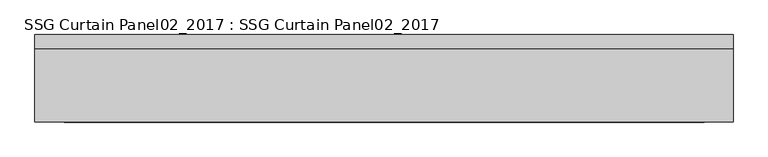
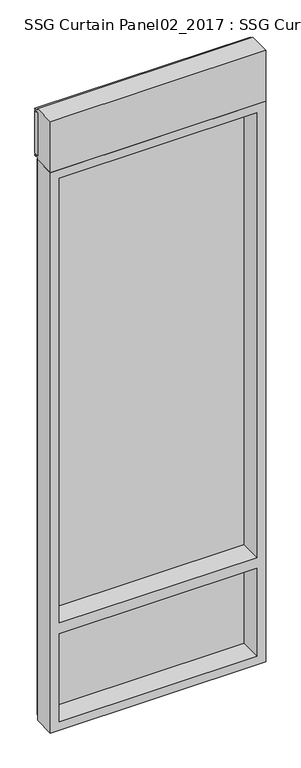
"""IFC4 building model written with IfcOpenShell, lengths in millimetres: plate geometry, SSG Curtain Panel02_2017 : SSG Curtain Panel02_2017."""

from ifc_helpers import new_model, si_unit, frame, origin, place, context, project, spatial, polyline, outline, extrude, faceted_brep, source, transform, mapped, element, save


def ssg_curtain_panel02_2017_ssg_curtain_panel02_2017_66aff170(model_context):
    return source(origin(), model_context, "Body", "SolidModel", [
        faceted_brep([(558.8, -152.4, 50.8), (558.8, -25.4, 50.8), (-558.8, -25.4, 50.8), (-558.8, -152.4, 50.8), (609.6, -25.4, 0.0), (609.6, -152.4, 0.0), (-609.6, -152.4, 0.0), (-609.6, -25.4, 0.0), (596.9, 0.0, 12.7), (596.9, -25.4, 12.7), (-596.9, -25.4, 12.7), (-596.9, 0.0, 12.7), (590.55, -25.4, 19.05), (590.55, 0.0, 19.05), (-590.55, 0.0, 19.05), (-590.55, -25.4, 19.05), (-558.8, -25.4, 577.85), (-558.8, -152.4, 577.85), (-558.8, -25.4, 3302.0), (-558.8, -152.4, 3302.0), (-558.8, -152.4, 641.35), (-558.8, -25.4, 641.35), (-609.6, -152.4, 3352.8), (-609.6, -25.4, 3352.8), (-596.9, -25.4, 3340.1), (-596.9, 0.0, 3340.1), (-590.55, 0.0, 3333.75), (-590.55, -25.4, 3333.75), (558.8, -25.4, 3302.0), (558.8, -152.4, 3302.0), (609.6, -152.4, 3352.8), (609.6, -25.4, 3352.8), (596.9, -25.4, 3340.1), (596.9, 0.0, 3340.1), (590.55, 0.0, 3333.75), (590.55, -25.4, 3333.75), (558.8, -25.4, 577.85), (558.8, -25.4, 641.35), (584.2, -25.4, 603.25), (584.2, -25.4, 615.95), (-584.2, -25.4, 615.95), (-584.2, -25.4, 603.25), (558.8, -152.4, 577.85), (558.8, -152.4, 641.35), (584.2, 0.0, 603.25), (584.2, 0.0, 615.95), (-584.2, 0.0, 615.95), (-584.2, 0.0, 603.25)], [[[0, 1, 2, 3]], [[4, 5, 6, 7]], [[8, 9, 10, 11]], [[12, 13, 14, 15]], [[3, 2, 16, 17]], [[18, 19, 20, 21]], [[7, 6, 22, 23]], [[11, 10, 24, 25]], [[15, 14, 26, 27]], [[19, 18, 28, 29]], [[23, 22, 30, 31]], [[25, 24, 32, 33]], [[27, 26, 34, 35]], [[12, 15, 27, 35], [2, 1, 36, 16], [18, 21, 37, 28], [38, 39, 40, 41]], [[1, 0, 42, 36]], [[29, 28, 37, 43]], [[6, 5, 30, 22], [0, 3, 17, 42], [29, 43, 20, 19]], [[5, 4, 31, 30]], [[4, 7, 23, 31], [10, 9, 32, 24]], [[9, 8, 33, 32]], [[8, 11, 25, 33], [14, 13, 34, 26]], [[13, 12, 35, 34]], [[38, 44, 45, 39]], [[40, 46, 47, 41]], [[37, 21, 20, 43]], [[16, 36, 42, 17]], [[44, 38, 41, 47]], [[45, 44, 47, 46]], [[40, 39, 45, 46]]]),
        extrude(outline(polyline([(609.6, -25.4), (-609.6, -25.4), (-609.6, 0.0), (609.6, 0.0), (609.6, -25.4)])), frame((0.0, 0.0, 3378.2), z_axis=(0.0, 0.0, 1.0), x_axis=(1.0, 0.0, 0.0)), (0.0, 0.0, 1.0), 254.0),
        extrude(outline(polyline([(0.0, 3371.85), (0.0, 3365.5), (-25.4, 3365.5), (-25.4, 3352.8), (-152.4, 3352.8), (-152.4, 3657.6), (-25.4, 3657.6), (-25.4, 3644.9), (0.0, 3644.9), (0.0, 3638.55), (-25.4, 3638.55), (-25.4, 3371.85), (0.0, 3371.85)])), frame((-609.6, 0.0, 0.0), z_axis=(1.0, 0.0, 0.0), x_axis=(0.0, 1.0, 0.0)), (0.0, 0.0, 1.0), 1219.2),
        extrude(outline(polyline([(584.2, -25.4), (-584.2, -25.4), (-584.2, 0.0), (584.2, 0.0), (584.2, -25.4)])), frame((0.0, 0.0, 25.4), z_axis=(0.0, 0.0, 1.0), x_axis=(1.0, 0.0, 0.0)), (0.0, 0.0, 1.0), 571.5),
        extrude(outline(polyline([(584.2, -25.4), (-584.2, -25.4), (-584.2, 0.0), (584.2, 0.0), (584.2, -25.4)])), frame((0.0, 0.0, 622.3), z_axis=(0.0, 0.0, 1.0), x_axis=(1.0, 0.0, 0.0)), (0.0, 0.0, 1.0), 2705.1),
    ])


if __name__ == "__main__":
    model = new_model("IFC4")
    model_context = context("Model", 3, world=origin())
    ifc_project = project(units=[si_unit("LENGTHUNIT", "METRE", prefix="MILLI")], contexts=[model_context])
    site = spatial("IfcSite", under=ifc_project)
    building = spatial("IfcBuilding", under=site)
    placement = place(None, origin())
    ssg_curtain_panel02_2017_ssg_curtain_panel02_2017_shape = ssg_curtain_panel02_2017_ssg_curtain_panel02_2017_66aff170(model_context)
    element("IfcPlate", 1, ObjectType="SSG Curtain Panel02_2017 : SSG Curtain Panel02_2017", at=placement, inside=building, context=model_context, shape_type="MappedRepresentation", body=[
        mapped(ssg_curtain_panel02_2017_ssg_curtain_panel02_2017_shape, transform((0.0, 0.0, 0.0), x_axis=(1.0, 0.0, 0.0), y_axis=(0.0, 1.0, 0.0), z_axis=(0.0, 0.0, 1.0))),
    ])
    save(model, "model.ifc")
